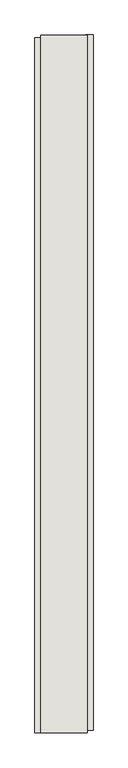
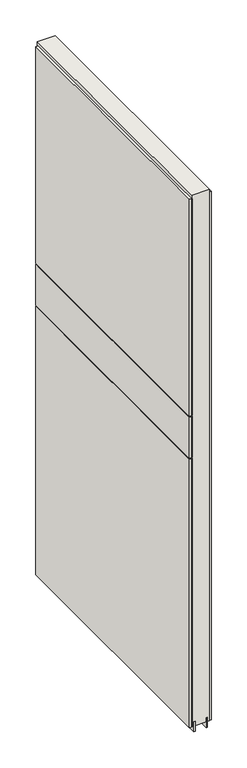
"""IFC4 building model written with IfcOpenShell, lengths in millimetres: wall geometry."""

from ifc_helpers import new_model, si_unit, frame, origin, place, context, project, spatial, polyline, outline, extrude, source, transform, mapped, element, save


def wall_42bf5a2b(model_context):
    return source(origin(), model_context, "Body", "SweptSolid", [
        extrude(outline(polyline([(76255.282211, -40630.432836), (76255.282211, -40632.972836), (76252.742211, -40632.972836), (76252.742211, -40630.432836), (76255.282211, -40630.432836)])), frame((0.0, 0.0, 4419.6), z_axis=(0.0, 0.0, 1.0), x_axis=(1.0, 0.0, 0.0)), (0.0, 0.0, 1.0), 2.54),
        extrude(outline(polyline([(76203.212211, -41850.0965638), (76203.212211, -40634.8965558), (76215.912211, -40634.8965558), (76215.912211, -41850.0965638), (76203.212211, -41850.0965638)])), frame((0.0, 0.0, 5945.6000722), z_axis=(0.0, 0.0, 1.0), x_axis=(1.0, 0.0, 0.0)), (0.0, 0.0, 1.0), 1044.449905),
        extrude(outline(polyline([(76203.212211, -41850.0965638), (76203.212211, -40634.8965558), (76215.912211, -40634.8965558), (76215.912211, -41850.0965638), (76203.212211, -41850.0965638)])), frame((0.0, 0.0, 5742.3999706), z_axis=(0.0, 0.0, 1.0), x_axis=(1.0, 0.0, 0.0)), (0.0, 0.0, 1.0), 199.2000512),
        extrude(outline(polyline([(76203.212211, -41850.0965638), (76203.212211, -40634.8965558), (76215.912211, -40634.8965558), (76215.912211, -41850.0965638), (76203.212211, -41850.0965638)])), frame((0.0, 0.0, 4445.0), z_axis=(0.0, 0.0, 1.0), x_axis=(1.0, 0.0, 0.0)), (0.0, 0.0, 1.0), 1293.400004),
        extrude(outline(polyline([(76304.812211, -40629.966619), (76304.812211, -41845.166627), (76292.112211, -41845.166627), (76292.112211, -40629.966619), (76304.812211, -40629.966619)])), frame((0.0, 0.0, 4445.0), z_axis=(0.0, 0.0, 1.0), x_axis=(1.0, 0.0, 0.0)), (0.0, 0.0, 1.0), 2545.0498756),
        extrude(outline(polyline([(76228.9284664, -40630.4253938), (76228.9284664, -41849.6253938), (76223.849711, -41849.6253938), (76223.849711, -40630.4253938), (76228.9284664, -40630.4253938)])), frame((0.0, 0.0, 4418.6602), z_axis=(0.0, 0.0, 1.0), x_axis=(1.0, 0.0, 0.0)), (0.0, 0.0, 1.0), 47.625),
        extrude(outline(polyline([(76228.9284664, -40630.4253938), (76228.9284664, -41849.6253938), (76223.849711, -41849.6253938), (76223.849711, -40630.4253938), (76228.9284664, -40630.4253938)])), frame((0.0, 0.0, 4418.6602), z_axis=(0.0, 0.0, 1.0), x_axis=(1.0, 0.0, 0.0)), (0.0, 0.0, 1.0), 47.625),
        extrude(outline(polyline([(76279.0959556, -41849.6253938), (76279.0959556, -40630.4253938), (76284.174711, -40630.4253938), (76284.174711, -41849.6253938), (76279.0959556, -41849.6253938)])), frame((0.0, 0.0, 4418.6602), z_axis=(0.0, 0.0, 1.0), x_axis=(1.0, 0.0, 0.0)), (0.0, 0.0, 1.0), 47.625),
        extrude(outline(polyline([(76279.0959556, -41849.6253938), (76279.0959556, -40630.4253938), (76284.174711, -40630.4253938), (76284.174711, -41849.6253938), (76279.0959556, -41849.6253938)])), frame((0.0, 0.0, 4418.6602), z_axis=(0.0, 0.0, 1.0), x_axis=(1.0, 0.0, 0.0)), (0.0, 0.0, 1.0), 47.625),
        extrude(outline(polyline([(76213.3573266, -40630.4253938), (76294.6670954, -40630.4253938), (76294.6670954, -41849.6253938), (76213.3573266, -41849.6253938), (76213.3573266, -40630.4253938)])), frame((0.0, 0.0, 4445.0), z_axis=(0.0, 0.0, 1.0), x_axis=(1.0, 0.0, 0.0)), (0.0, 0.0, 1.0), 2562.4536762),
    ])


if __name__ == "__main__":
    model = new_model("IFC4")
    model_context = context("Model", 3, world=origin())
    ifc_project = project(units=[si_unit("LENGTHUNIT", "METRE", prefix="MILLI")], contexts=[model_context])
    site = spatial("IfcSite", under=ifc_project)
    building = spatial("IfcBuilding", under=site)
    placement = place(None, origin())
    wall_shape = wall_42bf5a2b(model_context)
    element("IfcWall", 1, at=placement, inside=building, context=model_context, shape_type="MappedRepresentation", body=[
        mapped(wall_shape, transform((0.0, 0.0, 0.0), x_axis=(1.0, 0.0, 0.0), y_axis=(0.0, 1.0, 0.0), z_axis=(0.0, 0.0, 1.0))),
    ])
    save(model, "model.ifc")
